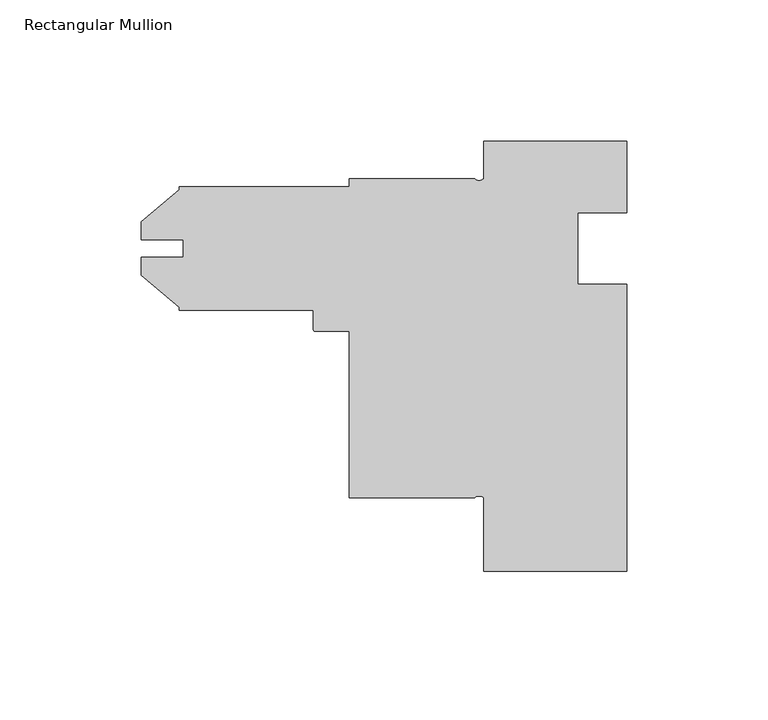
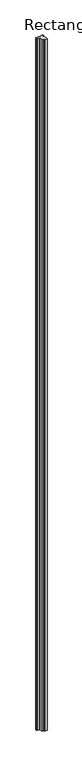
"""IFC4 building model written with IfcOpenShell, lengths in millimetres: member geometry, Rectangular Mullion."""

from ifc_helpers import new_model, si_unit, point, frame, frame_2d, origin, place, context, project, spatial, polyline, circle_curve, trimmed, segment, composite_curve, outline, extrude, source, transform, mapped, element, save


def rectangular_mullion_77e99459(model_context):
    return source(origin(), model_context, "Body", "SweptSolid", [
        extrude(outline(composite_curve([segment(polyline([(25.4, -25.4), (7.9209081, -25.4), (7.9209081, -50.8), (25.4, -50.8), (25.4, -152.4), (-25.4, -152.4), (-25.4, -126.398655)]), True, "CONTINUOUS"), segment(trimmed(circle_curve(frame_2d((-26.9875, -128.3738461)), 2.534075), [point((-25.4, -126.398655))], [point((-28.575, -126.398655))], True, "CARTESIAN"), True, "CONTINUOUS"), segment(polyline([(-28.575, -126.398655), (-73.025, -126.398655), (-73.025, -67.496055), (-84.9376, -67.496055)]), True, "CONTINUOUS"), segment(trimmed(circle_curve(frame_2d((-84.9376, -66.708655)), 0.7874), [point((-84.9376, -67.496055))], [point((-85.725, -66.708655))], False, "CARTESIAN"), True, "CONTINUOUS"), segment(polyline([(-85.725, -66.708655), (-85.725, -59.9948), (-133.35, -59.9948), (-133.35, -58.9282933), (-146.812, -47.632334), (-146.812, -41.2620621), (-131.7752, -41.2620621), (-131.7752, -34.9379379), (-146.812, -34.9379379), (-146.812, -28.567666), (-133.35, -17.2717067), (-133.35, -16.2052), (-73.025, -16.2052), (-73.025, -13.317855), (-28.575, -13.317855)]), True, "CONTINUOUS"), segment(trimmed(circle_curve(frame_2d((-26.9875, -11.9238245)), 2.1126943), [point((-28.575, -13.317855))], [point((-25.4, -13.317855))], True, "CARTESIAN"), True, "CONTINUOUS"), segment(polyline([(-25.4, -13.317855), (-25.4, 0.0), (25.4, 0.0), (25.4, -25.4)]), True, "CONTINUOUS")], self_intersect=False)), frame((0.0, 0.0, -15711.5380959), z_axis=(0.0, 0.0, 1.0), x_axis=(1.0, 0.0, 0.0)), (0.0, 0.0, 1.0), 15711.5380959),
    ])


if __name__ == "__main__":
    model = new_model("IFC4")
    model_context = context("Model", 3, world=origin())
    ifc_project = project(units=[si_unit("LENGTHUNIT", "METRE", prefix="MILLI")], contexts=[model_context])
    site = spatial("IfcSite", under=ifc_project)
    building = spatial("IfcBuilding", under=site)
    placement = place(None, origin())
    rectangular_mullion_shape = rectangular_mullion_77e99459(model_context)
    element("IfcMember", 1, ObjectType="Rectangular Mullion", at=placement, inside=building, context=model_context, shape_type="MappedRepresentation", body=[
        mapped(rectangular_mullion_shape, transform((0.0, 0.0, 0.0), x_axis=(1.0, 0.0, 0.0), y_axis=(0.0, 1.0, 0.0), z_axis=(0.0, 0.0, 1.0))),
    ])
    save(model, "model.ifc")
